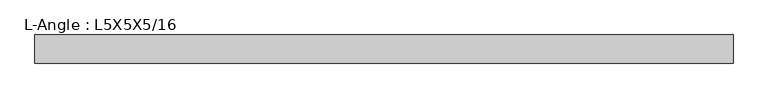
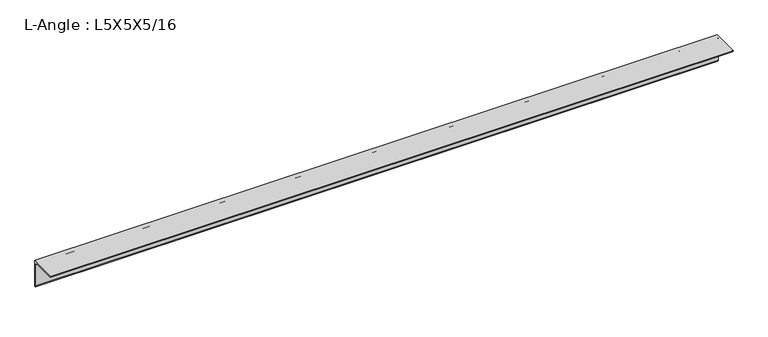
"""IFC4 building model written with IfcOpenShell, lengths in millimetres: beam geometry, L-Angle : L5X5X5/16."""

from ifc_helpers import new_model, si_unit, point, frame, frame_2d, origin, place, context, project, spatial, polyline, circle_curve, trimmed, segment, composite_curve, outline, extrude, source, transform, mapped, element, save


def l_angle_l5x5x5_16_9b8d7ba9(model_context):
    return source(origin(), model_context, "Body", "SweptSolid", [
        extrude(outline(composite_curve([segment(polyline([(34.3296875, 34.3296875), (34.3296875, -92.6703125)]), True, "CONTINUOUS"), segment(trimmed(circle_curve(frame_2d((34.3296875, -84.7328125)), 7.9375), [point((34.3296875, -92.6703125))], [point((26.3921875, -84.7328125))], False, "CARTESIAN"), True, "CONTINUOUS"), segment(polyline([(26.3921875, -84.7328125), (26.3921875, 18.4546875)]), True, "CONTINUOUS"), segment(trimmed(circle_curve(frame_2d((18.4546875, 18.4546875)), 7.9375), [point((26.3921875, 18.4546875))], [point((18.4546875, 26.3921875))], True, "CARTESIAN"), True, "CONTINUOUS"), segment(polyline([(18.4546875, 26.3921875), (-84.7328125, 26.3921875)]), True, "CONTINUOUS"), segment(trimmed(circle_curve(frame_2d((-84.7328125, 34.3296875)), 7.9375), [point((-84.7328125, 26.3921875))], [point((-92.6703125, 34.3296875))], False, "CARTESIAN"), True, "CONTINUOUS"), segment(polyline([(-92.6703125, 34.3296875), (34.3296875, 34.3296875)]), True, "CONTINUOUS")], self_intersect=False)), frame((-1593.85, 0.0, 0.0), z_axis=(1.0, 0.0, 0.0), x_axis=(0.0, 1.0, 0.0)), (0.0, 0.0, 1.0), 3155.95),
    ])


if __name__ == "__main__":
    model = new_model("IFC4")
    model_context = context("Model", 3, world=origin())
    ifc_project = project(units=[si_unit("LENGTHUNIT", "METRE", prefix="MILLI")], contexts=[model_context])
    site = spatial("IfcSite", under=ifc_project)
    building = spatial("IfcBuilding", under=site)
    placement = place(None, origin())
    l_angle_l5x5x5_16_shape = l_angle_l5x5x5_16_9b8d7ba9(model_context)
    element("IfcBeam", 1, ObjectType="L-Angle : L5X5X5/16", at=placement, inside=building, context=model_context, shape_type="MappedRepresentation", body=[
        mapped(l_angle_l5x5x5_16_shape, transform((0.0, 0.0, 0.0), x_axis=(1.0, 0.0, 0.0), y_axis=(0.0, 1.0, 0.0), z_axis=(0.0, 0.0, 1.0))),
    ])
    save(model, "model.ifc")
